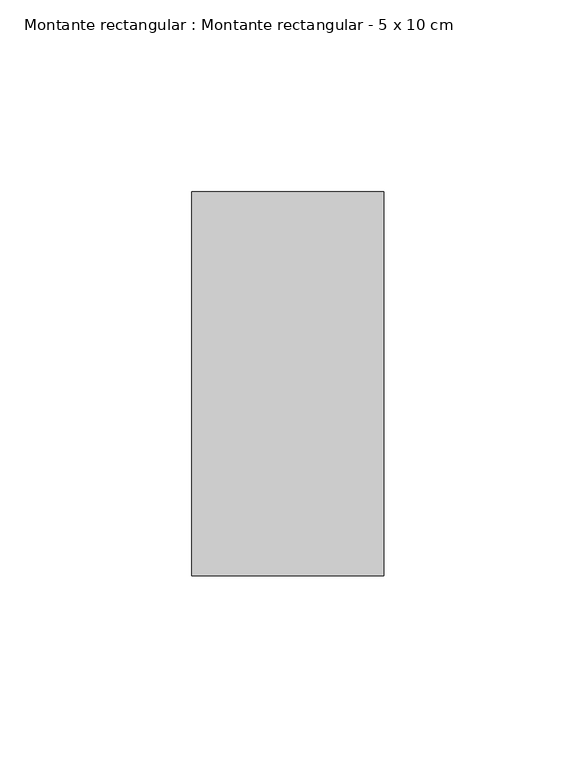
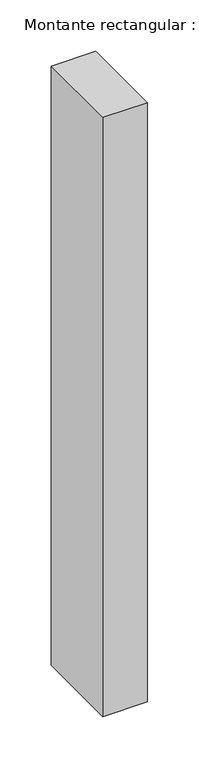
"""IFC4 building model written with IfcOpenShell, lengths in millimetres: member geometry, Montante rectangular : Montante rectangular - 5 x 10 cm."""

from ifc_helpers import new_model, si_unit, frame, origin, place, context, project, spatial, polyline, outline, extrude, source, transform, mapped, element, save


def montante_rectangular_montante_rectangular_5_x_10_cm_8f3d62dd(model_context):
    return source(origin(), model_context, "Body", "SweptSolid", [
        extrude(outline(polyline([(-50.0, 50.0), (0.0, 50.0), (0.0, -50.0), (-50.0, -50.0), (-50.0, 50.0)])), frame((0.0, 0.0, -711.3660041), z_axis=(0.0, 0.0, 1.0), x_axis=(1.0, 0.0, 0.0)), (0.0, 0.0, 1.0), 711.3660041),
    ])


if __name__ == "__main__":
    model = new_model("IFC4")
    model_context = context("Model", 3, world=origin())
    ifc_project = project(units=[si_unit("LENGTHUNIT", "METRE", prefix="MILLI")], contexts=[model_context])
    site = spatial("IfcSite", under=ifc_project)
    building = spatial("IfcBuilding", under=site)
    placement = place(None, origin())
    montante_rectangular_montante_rectangular_5_x_10_cm_shape = montante_rectangular_montante_rectangular_5_x_10_cm_8f3d62dd(model_context)
    element("IfcMember", 1, ObjectType="Montante rectangular : Montante rectangular - 5 x 10 cm", at=placement, inside=building, context=model_context, shape_type="MappedRepresentation", body=[
        mapped(montante_rectangular_montante_rectangular_5_x_10_cm_shape, transform((0.0, 0.0, 0.0), x_axis=(1.0, 0.0, 0.0), y_axis=(0.0, 1.0, 0.0), z_axis=(0.0, 0.0, 1.0))),
    ])
    save(model, "model.ifc")
